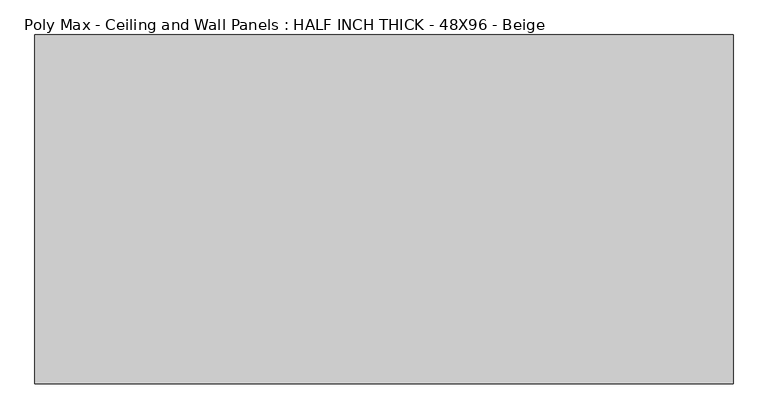
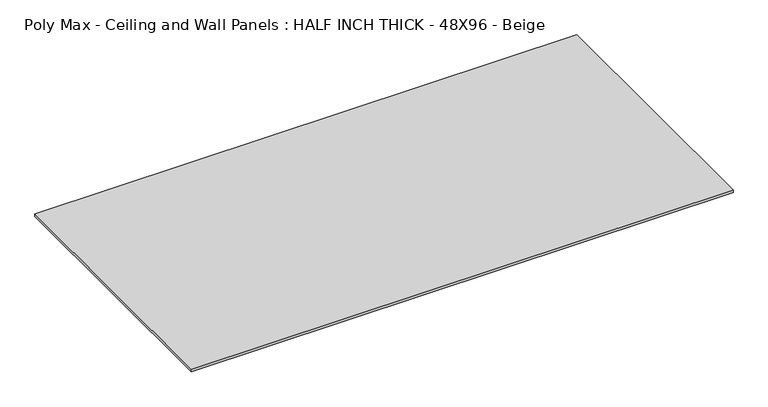
"""IFC4 building model written with IfcOpenShell, lengths in millimetres: proxy geometry, Poly Max - Ceiling and Wall Panels : HALF INCH THICK - 48X96 - Beige."""

from ifc_helpers import new_model, si_unit, origin, origin_with_axes, place, context, project, spatial, polyline, outline, extrude, source, transform, mapped, element, save


def poly_max_ceiling_and_wall_panels_half_inch_thick_48x96_beige_cbdc7e7f(model_context):
    return source(origin(), model_context, "Body", "SweptSolid", [
        extrude(outline(polyline([(-1219.2, 609.6), (1219.2, 609.6), (1219.2, -609.6), (-1219.2, -609.6), (-1219.2, 609.6)])), origin_with_axes(), (0.0, 0.0, 1.0), 12.7),
    ])


if __name__ == "__main__":
    model = new_model("IFC4")
    model_context = context("Model", 3, world=origin())
    ifc_project = project(units=[si_unit("LENGTHUNIT", "METRE", prefix="MILLI")], contexts=[model_context])
    site = spatial("IfcSite", under=ifc_project)
    building = spatial("IfcBuilding", under=site)
    placement = place(None, origin())
    poly_max_ceiling_and_wall_panels_half_inch_thick_48x96_beige_shape = poly_max_ceiling_and_wall_panels_half_inch_thick_48x96_beige_cbdc7e7f(model_context)
    element("IfcBuildingElementProxy", 1, Name="Poly Max - Ceiling and Wall Panels : HALF INCH THICK - 48X96 - Beige", ObjectType="Poly Max - Ceiling and Wall Panels : HALF INCH THICK - 48X96 - Beige", at=placement, inside=building, context=model_context, shape_type="MappedRepresentation", body=[
        mapped(poly_max_ceiling_and_wall_panels_half_inch_thick_48x96_beige_shape, transform((0.0, 0.0, 0.0), x_axis=(1.0, 0.0, 0.0), y_axis=(0.0, 1.0, 0.0), z_axis=(0.0, 0.0, 1.0))),
    ])
    save(model, "model.ifc")
